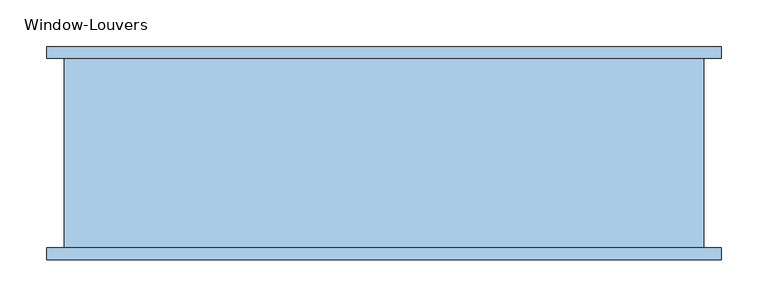
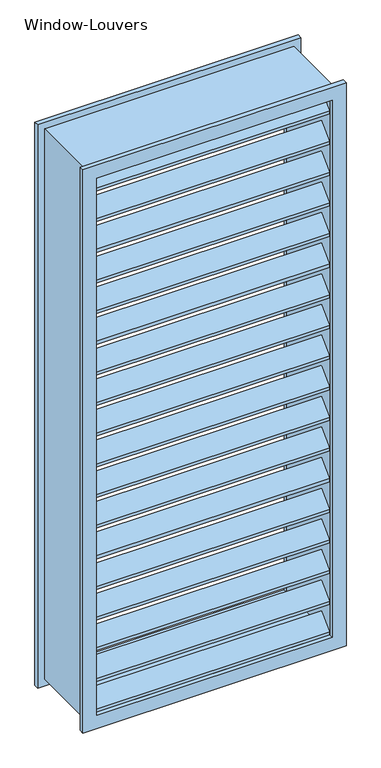
"""IFC4 building model written with IfcOpenShell, lengths in millimetres: window geometry, Window-Louvers."""

from ifc_helpers import new_model, si_unit, frame, origin, place, context, project, spatial, polyline, outline, extrude, source, transform, mapped, element, save


def window_louvers_befebc92(model_context):
    return source(origin(), model_context, "Body", "SweptSolid", [
        extrude(outline(polyline([(-95.25, 2368.3311915), (-57.15, 2406.4311915), (-19.05, 2368.3311915), (-19.05, 2359.3509354), (-57.15, 2397.4509354), (-95.25, 2359.3509354), (-95.25, 2368.3311915)])), frame((-323.85, 0.0, 0.0), z_axis=(1.0, 0.0, 0.0), x_axis=(0.0, 1.0, 0.0)), (0.0, 0.0, 1.0), 647.7),
        extrude(outline(polyline([(-95.25, 2279.2123831), (-57.15, 2317.3123831), (-19.05, 2279.2123831), (-19.05, 2270.232127), (-57.15, 2308.332127), (-95.25, 2270.232127), (-95.25, 2279.2123831)])), frame((-323.85, 0.0, 0.0), z_axis=(1.0, 0.0, 0.0), x_axis=(0.0, 1.0, 0.0)), (0.0, 0.0, 1.0), 647.7),
        extrude(outline(polyline([(-95.25, 2190.0935746), (-57.15, 2228.1935746), (-19.05, 2190.0935746), (-19.05, 2181.1133185), (-57.15, 2219.2133185), (-95.25, 2181.1133185), (-95.25, 2190.0935746)])), frame((-323.85, 0.0, 0.0), z_axis=(1.0, 0.0, 0.0), x_axis=(0.0, 1.0, 0.0)), (0.0, 0.0, 1.0), 647.7),
        extrude(outline(polyline([(-95.25, 2100.9747661), (-57.15, 2139.0747661), (-19.05, 2100.9747661), (-19.05, 2091.99451), (-57.15, 2130.09451), (-95.25, 2091.99451), (-95.25, 2100.9747661)])), frame((-323.85, 0.0, 0.0), z_axis=(1.0, 0.0, 0.0), x_axis=(0.0, 1.0, 0.0)), (0.0, 0.0, 1.0), 647.7),
        extrude(outline(polyline([(-95.25, 2011.8559577), (-57.15, 2049.9559577), (-19.05, 2011.8559577), (-19.05, 2002.8757016), (-57.15, 2040.9757016), (-95.25, 2002.8757016), (-95.25, 2011.8559577)])), frame((-323.85, 0.0, 0.0), z_axis=(1.0, 0.0, 0.0), x_axis=(0.0, 1.0, 0.0)), (0.0, 0.0, 1.0), 647.7),
        extrude(outline(polyline([(-95.25, 1922.7371492), (-57.15, 1960.8371492), (-19.05, 1922.7371492), (-19.05, 1913.7568931), (-57.15, 1951.8568931), (-95.25, 1913.7568931), (-95.25, 1922.7371492)])), frame((-323.85, 0.0, 0.0), z_axis=(1.0, 0.0, 0.0), x_axis=(0.0, 1.0, 0.0)), (0.0, 0.0, 1.0), 647.7),
        extrude(outline(polyline([(-95.25, 1833.6183408), (-57.15, 1871.7183408), (-19.05, 1833.6183408), (-19.05, 1824.6380846), (-57.15, 1862.7380846), (-95.25, 1824.6380846), (-95.25, 1833.6183408)])), frame((-323.85, 0.0, 0.0), z_axis=(1.0, 0.0, 0.0), x_axis=(0.0, 1.0, 0.0)), (0.0, 0.0, 1.0), 647.7),
        extrude(outline(polyline([(-95.25, 1744.4995323), (-57.15, 1782.5995323), (-19.05, 1744.4995323), (-19.05, 1735.5192762), (-57.15, 1773.6192762), (-95.25, 1735.5192762), (-95.25, 1744.4995323)])), frame((-323.85, 0.0, 0.0), z_axis=(1.0, 0.0, 0.0), x_axis=(0.0, 1.0, 0.0)), (0.0, 0.0, 1.0), 647.7),
        extrude(outline(polyline([(-95.25, 1655.3807238), (-57.15, 1693.4807238), (-19.05, 1655.3807238), (-19.05, 1646.4004677), (-57.15, 1684.5004677), (-95.25, 1646.4004677), (-95.25, 1655.3807238)])), frame((-323.85, 0.0, 0.0), z_axis=(1.0, 0.0, 0.0), x_axis=(0.0, 1.0, 0.0)), (0.0, 0.0, 1.0), 647.7),
        extrude(outline(polyline([(-95.25, 1566.2619154), (-57.15, 1604.3619154), (-19.05, 1566.2619154), (-19.05, 1557.2816592), (-57.15, 1595.3816592), (-95.25, 1557.2816592), (-95.25, 1566.2619154)])), frame((-323.85, 0.0, 0.0), z_axis=(1.0, 0.0, 0.0), x_axis=(0.0, 1.0, 0.0)), (0.0, 0.0, 1.0), 647.7),
        extrude(outline(polyline([(-95.25, 1477.1431069), (-57.15, 1515.2431069), (-19.05, 1477.1431069), (-19.05, 1468.1628508), (-57.15, 1506.2628508), (-95.25, 1468.1628508), (-95.25, 1477.1431069)])), frame((-323.85, 0.0, 0.0), z_axis=(1.0, 0.0, 0.0), x_axis=(0.0, 1.0, 0.0)), (0.0, 0.0, 1.0), 647.7),
        extrude(outline(polyline([(-95.25, 1388.0242984), (-57.15, 1426.1242984), (-19.05, 1388.0242984), (-19.05, 1379.0440423), (-57.15, 1417.1440423), (-95.25, 1379.0440423), (-95.25, 1388.0242984)])), frame((-323.85, 0.0, 0.0), z_axis=(1.0, 0.0, 0.0), x_axis=(0.0, 1.0, 0.0)), (0.0, 0.0, 1.0), 647.7),
        extrude(outline(polyline([(-95.25, 1298.90549), (-57.15, 1337.00549), (-19.05, 1298.90549), (-19.05, 1289.9252339), (-57.15, 1328.0252339), (-95.25, 1289.9252339), (-95.25, 1298.90549)])), frame((-323.85, 0.0, 0.0), z_axis=(1.0, 0.0, 0.0), x_axis=(0.0, 1.0, 0.0)), (0.0, 0.0, 1.0), 647.7),
        extrude(outline(polyline([(-95.25, 1209.7866815), (-57.15, 1247.8866815), (-19.05, 1209.7866815), (-19.05, 1200.8064254), (-57.15, 1238.9064254), (-95.25, 1200.8064254), (-95.25, 1209.7866815)])), frame((-323.85, 0.0, 0.0), z_axis=(1.0, 0.0, 0.0), x_axis=(0.0, 1.0, 0.0)), (0.0, 0.0, 1.0), 647.7),
        extrude(outline(polyline([(-95.25, 1120.667873), (-57.15, 1158.767873), (-19.05, 1120.667873), (-19.05, 1111.6876169), (-57.15, 1149.7876169), (-95.25, 1111.6876169), (-95.25, 1120.667873)])), frame((-323.85, 0.0, 0.0), z_axis=(1.0, 0.0, 0.0), x_axis=(0.0, 1.0, 0.0)), (0.0, 0.0, 1.0), 647.7),
        extrude(outline(polyline([(-95.25, 1031.5490646), (-57.15, 1069.6490646), (-19.05, 1031.5490646), (-19.05, 1022.5688085), (-57.15, 1060.6688085), (-95.25, 1022.5688085), (-95.25, 1031.5490646)])), frame((-323.85, 0.0, 0.0), z_axis=(1.0, 0.0, 0.0), x_axis=(0.0, 1.0, 0.0)), (0.0, 0.0, 1.0), 647.7),
        extrude(outline(polyline([(-95.25, 2457.45), (-57.15, 2495.55), (-19.05, 2457.45), (-19.05, 2448.4697439), (-57.15, 2486.5697439), (-95.25, 2448.4697439), (-95.25, 2457.45)])), frame((-323.85, 0.0, 0.0), z_axis=(1.0, 0.0, 0.0), x_axis=(0.0, 1.0, 0.0)), (0.0, 0.0, 1.0), 647.7),
        extrude(outline(polyline([(-95.25, 942.4302561), (-57.15, 980.5302561), (-19.05, 942.4302561), (-19.05, 933.45), (-57.15, 971.55), (-95.25, 933.45), (-95.25, 942.4302561)])), frame((-323.85, 0.0, 0.0), z_axis=(1.0, 0.0, 0.0), x_axis=(0.0, 1.0, 0.0)), (0.0, 0.0, 1.0), 647.7),
        extrude(outline(polyline([(2514.6, 342.9), (2514.6, -342.9), (914.4, -342.9), (914.4, 342.9), (2514.6, 342.9)]), holes=[polyline([(2495.55, 323.85), (933.45, 323.85), (933.45, -323.85), (2495.55, -323.85), (2495.55, 323.85)])]), frame((0.0, -95.25, 0.0), z_axis=(0.0, 1.0, 0.0), x_axis=(0.0, 0.0, 1.0)), (0.0, 0.0, 1.0), 203.2),
        extrude(outline(polyline([(2533.65, 361.95), (2533.65, -361.95), (895.35, -361.95), (895.35, 361.95), (2533.65, 361.95)]), holes=[polyline([(2495.55, 323.85), (933.45, 323.85), (933.45, -323.85), (2495.55, -323.85), (2495.55, 323.85)])]), frame((0.0, 107.95, 0.0), z_axis=(0.0, 1.0, 0.0), x_axis=(0.0, 0.0, 1.0)), (0.0, 0.0, 1.0), 12.7),
        extrude(outline(polyline([(2533.65, -361.95), (895.35, -361.95), (895.35, 361.95), (2533.65, 361.95), (2533.65, -361.95)]), holes=[polyline([(2495.55, -323.85), (2495.55, 323.85), (933.45, 323.85), (933.45, -323.85), (2495.55, -323.85)])]), frame((0.0, -107.95, 0.0), z_axis=(0.0, 1.0, 0.0), x_axis=(0.0, 0.0, 1.0)), (0.0, 0.0, 1.0), 12.7),
    ])


if __name__ == "__main__":
    model = new_model("IFC4")
    model_context = context("Model", 3, world=origin())
    ifc_project = project(units=[si_unit("LENGTHUNIT", "METRE", prefix="MILLI")], contexts=[model_context])
    site = spatial("IfcSite", under=ifc_project)
    building = spatial("IfcBuilding", under=site)
    placement = place(None, origin())
    window_louvers_shape = window_louvers_befebc92(model_context)
    element("IfcWindow", 1, ObjectType="Window-Louvers", at=placement, inside=building, context=model_context, shape_type="MappedRepresentation", body=[
        mapped(window_louvers_shape, transform((0.0, 0.0, 0.0), x_axis=(1.0, 0.0, 0.0), y_axis=(0.0, 1.0, 0.0), z_axis=(0.0, 0.0, 1.0))),
    ])
    save(model, "model.ifc")
